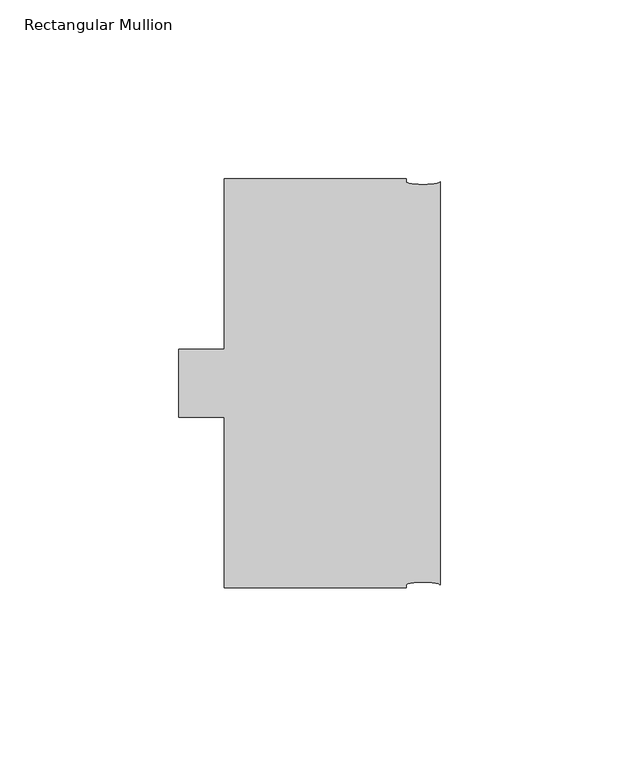
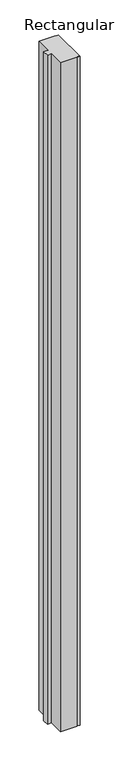
"""IFC4 building model written with IfcOpenShell, lengths in millimetres: member geometry, Rectangular Mullion."""

from ifc_helpers import new_model, si_unit, point, frame, origin, place, context, project, spatial, ellipse_curve, trimmed, source, transform, mapped, element, save
from ifc_brep_helpers import plane_surface, extruded_surface, advanced_brep


def rectangular_mullion_be01ad73(model_context):
    return source(origin(), model_context, "Body", "AdvancedBrep", [
        advanced_brep(
        [(-60.325, -101.6, 0.0), (-9.525, -101.6, 0.0), (-9.525, -100.80625, 0.0), (0.0, -100.80625, 0.0), (0.0, 11.90625, 0.0), (-9.525, 11.90625, 0.0), (-9.525, 12.7, 0.0), (-60.325, 12.7, 0.0), (-60.325, -34.925, 0.0), (-73.025, -34.925, 0.0), (-73.025, -53.975, 0.0), (-60.325, -53.975, 0.0), (-60.325, -101.6, -2159.0), (-60.325, -53.975, -2159.0), (-73.025, -53.975, -2159.0), (-73.025, -34.925, -2159.0), (-60.325, -34.925, -2159.0), (-60.325, 12.7, -2159.0), (-9.525, 12.7, -2159.0), (-9.525, 11.90625, -2159.0), (0.0, 11.90625, -2159.0), (0.0, -100.80625, -2159.0), (-9.525, -100.80625, -2159.0), (-9.525, -101.6, -2159.0)],
        [
            (0, 1),
            (1, 2),
            (2, 3, ellipse_curve(frame((-4.7625, -100.80625, 0.0), z_axis=(0.0, 0.0, -1.0), x_axis=(-1.0, 0.0, 0.0)), 4.7625, 0.79375)),
            (3, 4),
            (4, 5, ellipse_curve(frame((-4.7625, 11.90625, 0.0), z_axis=(0.0, 0.0, -1.0), x_axis=(-1.0, 0.0, 0.0)), 4.7625, 0.79375)),
            (5, 6),
            (6, 7),
            (7, 8),
            (8, 9),
            (9, 10),
            (10, 11),
            (11, 0),
            (12, 13),
            (13, 14),
            (14, 15),
            (15, 16),
            (16, 17),
            (17, 18),
            (18, 19),
            (19, 20, ellipse_curve(frame((-4.7625, 11.90625, -2159.0), z_axis=(0.0, 0.0, 1.0), x_axis=(-1.0, 0.0, 0.0)), 4.7625, 0.79375)),
            (20, 21),
            (21, 22, ellipse_curve(frame((-4.7625, -100.80625, -2159.0), z_axis=(0.0, 0.0, 1.0), x_axis=(-1.0, 0.0, 0.0)), 4.7625, 0.79375)),
            (22, 23),
            (23, 12),
            (0, 12),
            (23, 1),
            (22, 2),
            (21, 3),
            (20, 4),
            (19, 5),
            (18, 6),
            (17, 7),
            (16, 8),
            (15, 9),
            (14, 10),
            (13, 11),
        ],
        [
            plane_surface(frame((0.0, -118.1594923, 0.0), z_axis=(0.0, 0.0, 1.0), x_axis=(-1.0, 0.0, 0.0))),
            plane_surface(frame((0.0, -118.1594923, -2159.0), z_axis=(0.0, 0.0, -1.0), x_axis=(-1.0, 0.0, 0.0))),
            plane_surface(frame((-60.325, -101.6, 0.0), z_axis=(0.0, -1.0, 0.0), x_axis=(0.0, 0.0, -1.0))),
            plane_surface(frame((-9.525, -101.6, 0.0), z_axis=(1.0, 0.0, 0.0), x_axis=(0.0, 0.0, -1.0))),
            extruded_surface(trimmed(ellipse_curve(frame((-4.7625, -100.80625, -2159.0), z_axis=(0.0, 0.0, -1.0), x_axis=(-1.0, 0.0, 0.0)), 4.7625, 0.79375), [point((-9.525, -100.80625, -2159.0))], [point((0.0, -100.80625, -2159.0))], True, "CARTESIAN"), (0.0, 0.0, 2159.0), 2159.0),
            plane_surface(frame((0.0, -100.80625, 0.0), z_axis=(1.0, 0.0, 0.0), x_axis=(0.0, 0.0, -1.0))),
            extruded_surface(trimmed(ellipse_curve(frame((-4.7625, 11.90625, -2159.0), z_axis=(0.0, 0.0, -1.0), x_axis=(-1.0, 0.0, 0.0)), 4.7625, 0.79375), [point((0.0, 11.90625, -2159.0))], [point((-9.525, 11.90625, -2159.0))], True, "CARTESIAN"), (0.0, 0.0, 2159.0), 2159.0),
            plane_surface(frame((-9.525, 11.90625, 0.0), z_axis=(1.0, 0.0, 0.0), x_axis=(0.0, 0.0, -1.0))),
            plane_surface(frame((-9.525, 12.7, 0.0), z_axis=(0.0, 1.0, 0.0), x_axis=(0.0, 0.0, -1.0))),
            plane_surface(frame((-60.325, 12.7, 0.0), z_axis=(-1.0, 0.0, 0.0), x_axis=(0.0, 0.0, -1.0))),
            plane_surface(frame((-60.325, -34.925, 0.0), z_axis=(0.0, 1.0, 0.0), x_axis=(0.0, 0.0, -1.0))),
            plane_surface(frame((-73.025, -34.925, 0.0), z_axis=(-1.0, 0.0, 0.0), x_axis=(0.0, 0.0, -1.0))),
            plane_surface(frame((-73.025, -53.975, 0.0), z_axis=(0.0, -1.0, 0.0), x_axis=(0.0, 0.0, -1.0))),
            plane_surface(frame((-60.325, -53.975, 0.0), z_axis=(-1.0, 0.0, 0.0), x_axis=(0.0, 0.0, -1.0))),
        ],
        [
            (0, [[1, 2, 3, 4, 5, 6, 7, 8, 9, 10, 11, 12]]),
            (1, [[13, 14, 15, 16, 17, 18, 19, 20, 21, 22, 23, 24]]),
            (2, [[-1, 25, -24, 26]]),
            (3, [[-2, -26, -23, 27]]),
            (4, [[-3, -27, -22, 28]]),
            (5, [[-4, -28, -21, 29]]),
            (6, [[-5, -29, -20, 30]]),
            (7, [[-6, -30, -19, 31]]),
            (8, [[-7, -31, -18, 32]]),
            (9, [[-8, -32, -17, 33]]),
            (10, [[-9, -33, -16, 34]]),
            (11, [[-10, -34, -15, 35]]),
            (12, [[-11, -35, -14, 36]]),
            (13, [[-12, -36, -13, -25]]),
        ],
    ),
    ])


if __name__ == "__main__":
    model = new_model("IFC4")
    model_context = context("Model", 3, world=origin())
    ifc_project = project(units=[si_unit("LENGTHUNIT", "METRE", prefix="MILLI")], contexts=[model_context])
    site = spatial("IfcSite", under=ifc_project)
    building = spatial("IfcBuilding", under=site)
    placement = place(None, origin())
    rectangular_mullion_shape = rectangular_mullion_be01ad73(model_context)
    element("IfcMember", 1, ObjectType="Rectangular Mullion", at=placement, inside=building, context=model_context, shape_type="MappedRepresentation", body=[
        mapped(rectangular_mullion_shape, transform((0.0, 0.0, 0.0), x_axis=(1.0, 0.0, 0.0), y_axis=(0.0, 1.0, 0.0), z_axis=(0.0, 0.0, 1.0))),
    ])
    save(model, "model.ifc")
